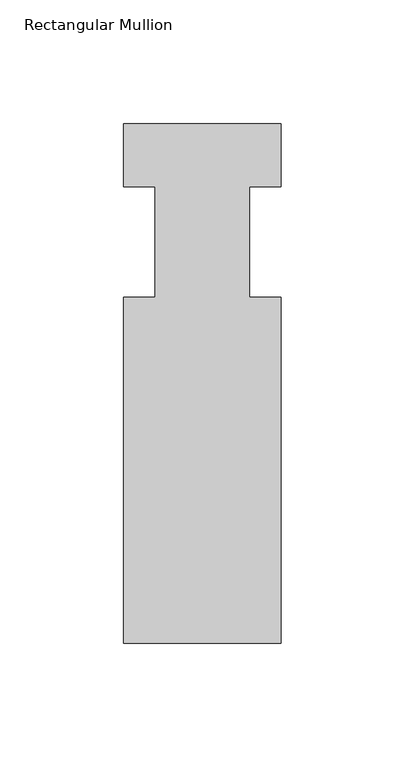
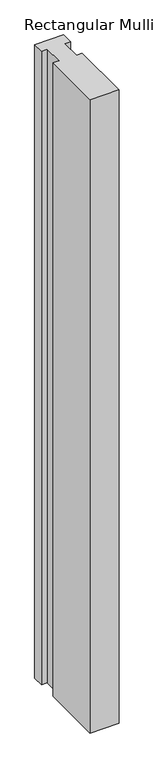
"""IFC4 building model written with IfcOpenShell, lengths in millimetres: member geometry, Rectangular Mullion."""

from ifc_helpers import new_model, si_unit, frame, origin, place, context, project, spatial, polyline, outline, extrude, source, transform, mapped, element, save


def rectangular_mullion_cfa40fb7(model_context):
    return source(origin(), model_context, "Body", "SweptSolid", [
        extrude(outline(polyline([(31.75, -161.925), (-31.75, -161.925), (-31.75, -22.225), (-19.05, -22.225), (-19.05, 22.225), (-31.75, 22.225), (-31.75, 47.625), (31.75, 47.625), (31.75, 22.225), (19.05, 22.225), (19.05, -22.225), (31.75, -22.225), (31.75, -161.925)])), frame((0.0, 0.0, -1463.675), z_axis=(0.0, 0.0, 1.0), x_axis=(1.0, 0.0, 0.0)), (0.0, 0.0, 1.0), 1463.675),
    ])


if __name__ == "__main__":
    model = new_model("IFC4")
    model_context = context("Model", 3, world=origin())
    ifc_project = project(units=[si_unit("LENGTHUNIT", "METRE", prefix="MILLI")], contexts=[model_context])
    site = spatial("IfcSite", under=ifc_project)
    building = spatial("IfcBuilding", under=site)
    placement = place(None, origin())
    rectangular_mullion_shape = rectangular_mullion_cfa40fb7(model_context)
    element("IfcMember", 1, ObjectType="Rectangular Mullion", at=placement, inside=building, context=model_context, shape_type="MappedRepresentation", body=[
        mapped(rectangular_mullion_shape, transform((0.0, 0.0, 0.0), x_axis=(1.0, 0.0, 0.0), y_axis=(0.0, 1.0, 0.0), z_axis=(0.0, 0.0, 1.0))),
    ])
    save(model, "model.ifc")
